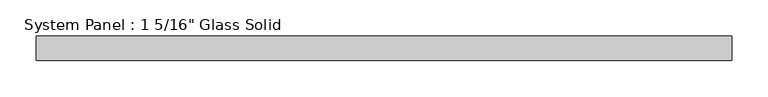
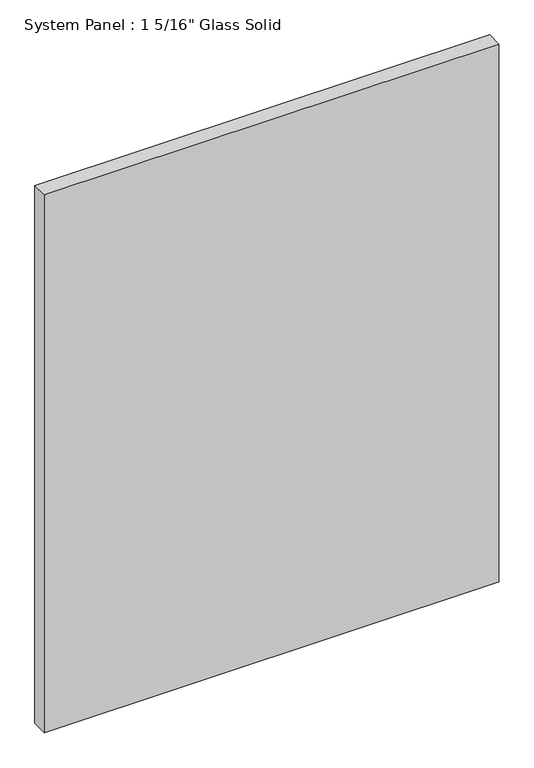
"""IFC4 building model written with IfcOpenShell, lengths in millimetres: plate geometry."""

from ifc_helpers import new_model, si_unit, origin, origin_with_axes, place, context, project, spatial, polyline, outline, extrude, source, transform, mapped, element, save


def plate_1e70cec6(model_context):
    return source(origin(), model_context, "Body", "SweptSolid", [
        extrude(outline(polyline([(476.8305865, -16.66875), (-476.8305865, -16.66875), (-476.8305865, 16.66875), (476.8305865, 16.66875), (476.8305865, -16.66875)])), origin_with_axes(), (0.0, 0.0, 1.0), 1193.8017704),
    ])


if __name__ == "__main__":
    model = new_model("IFC4")
    model_context = context("Model", 3, world=origin())
    ifc_project = project(units=[si_unit("LENGTHUNIT", "METRE", prefix="MILLI")], contexts=[model_context])
    site = spatial("IfcSite", under=ifc_project)
    building = spatial("IfcBuilding", under=site)
    placement = place(None, origin())
    plate_shape = plate_1e70cec6(model_context)
    element("IfcPlate", 1, ObjectType="System Panel : 1 5/16\" Glass Solid", at=placement, inside=building, context=model_context, shape_type="MappedRepresentation", body=[
        mapped(plate_shape, transform((0.0, 0.0, 0.0), x_axis=(1.0, 0.0, 0.0), y_axis=(0.0, 1.0, 0.0), z_axis=(0.0, 0.0, 1.0))),
    ])
    save(model, "model.ifc")
